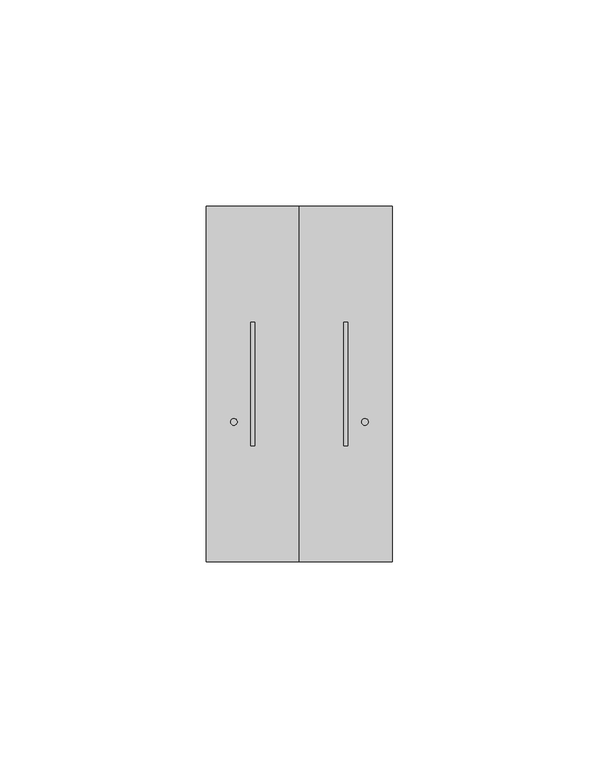
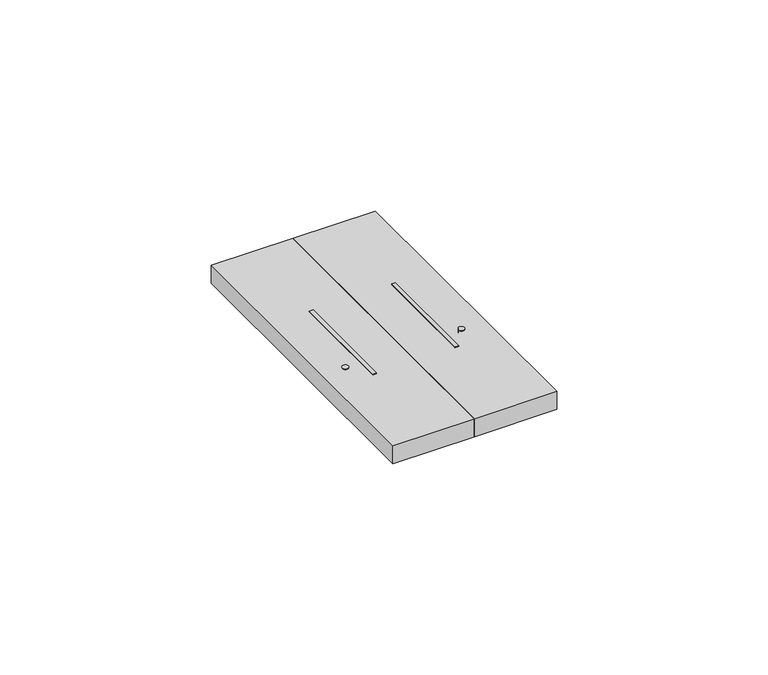
"""IFC4 building model written with IfcOpenShell, lengths in millimetres: proxy geometry."""

from ifc_helpers import new_model, si_unit, point, frame, frame_2d, origin, place, context, project, spatial, polyline, circle_curve, trimmed, segment, composite_curve, outline, extrude, source, transform, mapped, element, save


def electrical_fixtures_b700c4fd(model_context):
    return source(origin(), model_context, "Body", "SweptSolid", [
        extrude(outline(polyline([(34.25, 58.0), (34.25, 28.0), (33.25, 28.0), (33.25, 58.0), (34.25, 58.0)])), frame((0.0, 0.0, 5.5), z_axis=(0.0, 0.0, 1.0), x_axis=(1.0, 0.0, 0.0)), (0.0, 0.0, 1.0), 5.2),
        extrude(outline(composite_curve([segment(trimmed(circle_curve(frame_2d((38.3745861, 33.8172521)), 0.8), [point((39.1745861, 33.8172521))], [point((37.5745861, 33.8172521))], False, "CARTESIAN"), True, "CONTINUOUS"), segment(trimmed(circle_curve(frame_2d((38.3745861, 33.8172521)), 0.8), [point((37.5745861, 33.8172521))], [point((39.1745861, 33.8172521))], False, "CARTESIAN"), True, "CONTINUOUS")], self_intersect=False)), frame((0.0, 0.0, 5.5), z_axis=(0.0, 0.0, 1.0), x_axis=(1.0, 0.0, 0.0)), (0.0, 0.0, 1.0), 5.2),
        extrude(outline(polyline([(45.0, 0.0), (22.5, 0.0), (22.5, 86.0), (45.0, 86.0), (45.0, 0.0)]), holes=[polyline([(34.25, 58.0), (33.25, 58.0), (33.25, 28.0), (34.25, 28.0), (34.25, 58.0)]), composite_curve([segment(trimmed(circle_curve(frame_2d((38.3745861, 33.8172521)), 0.8), [point((39.1745861, 33.8172521))], [point((37.5745861, 33.8172521))], True, "CARTESIAN"), True, "CONTINUOUS"), segment(trimmed(circle_curve(frame_2d((38.3745861, 33.8172521)), 0.8), [point((37.5745861, 33.8172521))], [point((39.1745861, 33.8172521))], True, "CARTESIAN"), True, "CONTINUOUS")], self_intersect=False)]), frame((0.0, 0.0, 5.5), z_axis=(0.0, 0.0, 1.0), x_axis=(1.0, 0.0, 0.0)), (0.0, 0.0, 1.0), 5.2),
        extrude(outline(polyline([(10.75, 58.0), (11.75, 58.0), (11.75, 28.0), (10.75, 28.0), (10.75, 58.0)])), frame((0.0, 0.0, 5.5), z_axis=(0.0, 0.0, 1.0), x_axis=(1.0, 0.0, 0.0)), (0.0, 0.0, 1.0), 5.2),
        extrude(outline(composite_curve([segment(trimmed(circle_curve(frame_2d((6.6254139, 33.8172521)), 0.8), [point((5.8254139, 33.8172521))], [point((7.4254139, 33.8172521))], False, "CARTESIAN"), True, "CONTINUOUS"), segment(trimmed(circle_curve(frame_2d((6.6254139, 33.8172521)), 0.8), [point((7.4254139, 33.8172521))], [point((5.8254139, 33.8172521))], False, "CARTESIAN"), True, "CONTINUOUS")], self_intersect=False)), frame((0.0, 0.0, 5.5), z_axis=(0.0, 0.0, 1.0), x_axis=(1.0, 0.0, 0.0)), (0.0, 0.0, 1.0), 5.2),
        extrude(outline(polyline([(0.0, 0.0), (0.0, 86.0), (22.5, 86.0), (22.5, 0.0), (0.0, 0.0)]), holes=[polyline([(10.75, 58.0), (10.75, 28.0), (11.75, 28.0), (11.75, 58.0), (10.75, 58.0)]), composite_curve([segment(trimmed(circle_curve(frame_2d((6.6254139, 33.8172521)), 0.8), [point((5.8254139, 33.8172521))], [point((7.4254139, 33.8172521))], True, "CARTESIAN"), True, "CONTINUOUS"), segment(trimmed(circle_curve(frame_2d((6.6254139, 33.8172521)), 0.8), [point((7.4254139, 33.8172521))], [point((5.8254139, 33.8172521))], True, "CARTESIAN"), True, "CONTINUOUS")], self_intersect=False)]), frame((0.0, 0.0, 5.5), z_axis=(0.0, 0.0, 1.0), x_axis=(1.0, 0.0, 0.0)), (0.0, 0.0, 1.0), 5.2),
    ])


if __name__ == "__main__":
    model = new_model("IFC4")
    model_context = context("Model", 3, world=origin())
    ifc_project = project(units=[si_unit("LENGTHUNIT", "METRE", prefix="MILLI")], contexts=[model_context])
    site = spatial("IfcSite", under=ifc_project)
    building = spatial("IfcBuilding", under=site)
    placement = place(None, origin())
    electrical_fixtures_shape = electrical_fixtures_b700c4fd(model_context)
    element("IfcBuildingElementProxy", 1, Name="Electrical Fixtures", at=placement, inside=building, context=model_context, shape_type="MappedRepresentation", body=[
        mapped(electrical_fixtures_shape, transform((0.0, 0.0, 0.0), x_axis=(1.0, 0.0, 0.0), y_axis=(0.0, 1.0, 0.0), z_axis=(0.0, 0.0, 1.0))),
    ])
    save(model, "model.ifc")
